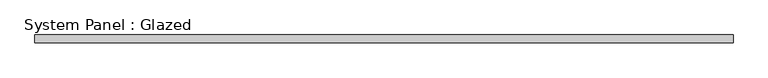
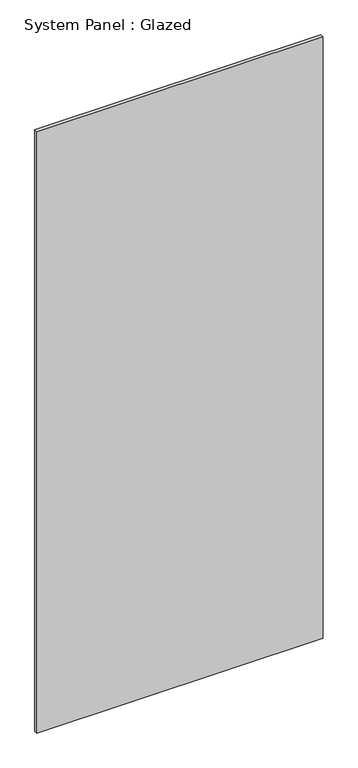
"""IFC4 building model written with IfcOpenShell, lengths in millimetres: plate geometry, System Panel : Glazed."""

from ifc_helpers import new_model, si_unit, origin, origin_with_axes, place, context, project, spatial, polyline, outline, extrude, source, transform, mapped, element, save


def system_panel_glazed_07a2de98(model_context):
    return source(origin(), model_context, "Body", "SweptSolid", [
        extrude(outline(polyline([(583.6456201, 25.4), (-583.6456201, 25.4), (-583.6456201, 38.1), (583.6456201, 38.1), (583.6456201, 25.4)])), origin_with_axes(), (0.0, 0.0, 1.0), 2590.8),
    ])


if __name__ == "__main__":
    model = new_model("IFC4")
    model_context = context("Model", 3, world=origin())
    ifc_project = project(units=[si_unit("LENGTHUNIT", "METRE", prefix="MILLI")], contexts=[model_context])
    site = spatial("IfcSite", under=ifc_project)
    building = spatial("IfcBuilding", under=site)
    placement = place(None, origin())
    system_panel_glazed_shape = system_panel_glazed_07a2de98(model_context)
    element("IfcPlate", 1, ObjectType="System Panel : Glazed", at=placement, inside=building, context=model_context, shape_type="MappedRepresentation", body=[
        mapped(system_panel_glazed_shape, transform((0.0, 0.0, 0.0), x_axis=(1.0, 0.0, 0.0), y_axis=(0.0, 1.0, 0.0), z_axis=(0.0, 0.0, 1.0))),
    ])
    save(model, "model.ifc")
